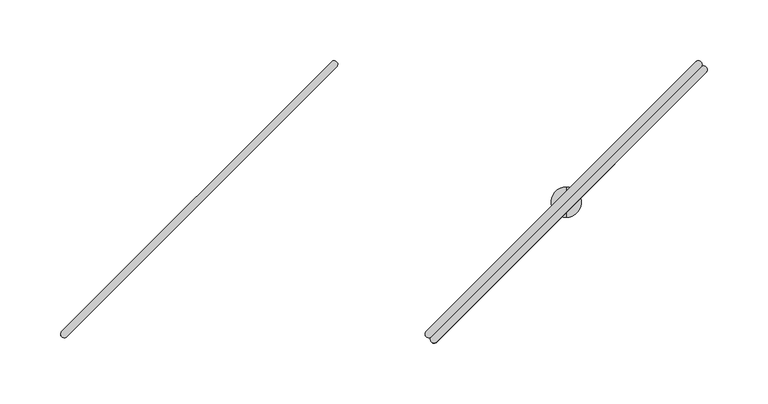
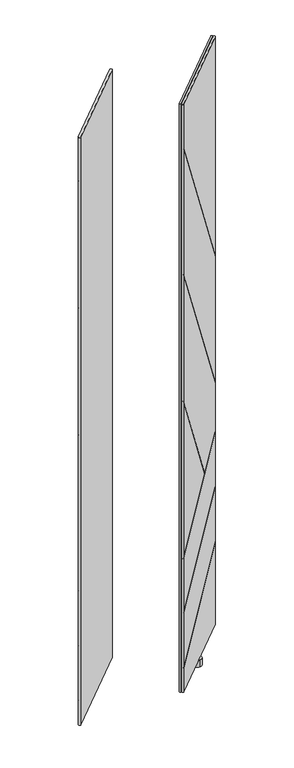
"""IFC4 building model written with IfcOpenShell, lengths in millimetres: furniture geometry."""

import ifcopenshell
import ifcopenshell.guid

model = None  # the IFC model being written
_history = None  # IfcOwnerHistory: only IFC2X3 demands one
_inside = {}  # id of a spatial element -> (the spatial element, [elements in it])
_under = {}  # id of a project, library or spatial element -> (it, [spatial elements below it])
_declared = {}  # id of a project -> (the project, [libraries it declares])
_typed = {}  # id of a type object -> (the type object, [elements of that type])
_made_of = {}  # id of a material, layer set ... -> (it, [elements and type objects made of it])


def new_model(schema):
    """Start an empty IFC model of exactly this schema.

    Asked for "IFC4X3", IfcOpenShell would pick the latest addendum, in which some entities
    have other attributes; the version numbers below select the first issue.
    IFC2X3 requires an IfcOwnerHistory on every rooted entity: one is made here for all.
    """
    global model, _history
    if schema == "IFC4X3":
        model = ifcopenshell.file(schema_version=(4, 3, 0, 0))
    else:
        model = ifcopenshell.file(schema=schema)
    _inside.clear()
    _under.clear()
    _declared.clear()
    _typed.clear()
    _made_of.clear()
    _history = None
    if model.schema == "IFC2X3":
        org = make("IfcOrganization", Name="unknown")
        user = make(
            "IfcPersonAndOrganization",
            ThePerson=make("IfcPerson", FamilyName="unknown"),
            TheOrganization=org,
        )
        app = make(
            "IfcApplication",
            ApplicationDeveloper=org,
            Version="unknown",
            ApplicationFullName="unknown",
            ApplicationIdentifier="unknown",
        )
        _history = make(
            "IfcOwnerHistory",
            OwningUser=user,
            OwningApplication=app,
            ChangeAction="ADDED",
            CreationDate=0,
        )
    return model


def make(cls, **values):
    """One entity of the class cls with the attributes given. An attribute that is None is left unset."""
    return model.create_entity(
        cls, **{name: value for name, value in values.items() if value is not None}
    )


def rooted(cls, **values):
    """An entity with a GlobalId (a new one), such as an element, a storey or a relation."""
    return make(cls, GlobalId=ifcopenshell.guid.new(), OwnerHistory=_history, **values)


def si_unit(unit_type, name, prefix=None):
    """IfcSIUnit, for example si_unit("LENGTHUNIT", "METRE", prefix="MILLI")."""
    return make("IfcSIUnit", UnitType=unit_type, Prefix=prefix, Name=name)


def assignment(units):
    """IfcUnitAssignment: the units of a project."""
    return None if units is None else make("IfcUnitAssignment", Units=units)


def point(xyz):
    """IfcCartesianPoint."""
    return None if xyz is None else make("IfcCartesianPoint", Coordinates=xyz)


def direction(xyz):
    """IfcDirection."""
    return None if xyz is None else make("IfcDirection", DirectionRatios=xyz)


def frame(location, z_axis=None, x_axis=None):
    """IfcAxis2Placement3D, a coordinate frame: its origin and axes. An axis left out is left unset."""
    return make(
        "IfcAxis2Placement3D",
        Location=point(location),
        Axis=direction(z_axis),
        RefDirection=direction(x_axis),
    )


def origin():
    """The frame at (0, 0, 0) with its axes left unset."""
    return frame((0.0, 0.0, 0.0))


def place(relative_to, where):
    """IfcLocalPlacement: puts the frame where relative to a parent placement (None: the world)."""
    return make(
        "IfcLocalPlacement", PlacementRelTo=relative_to, RelativePlacement=where
    )


def context(
    kind, dimensions, precision=None, world=None, true_north=None, identifier=None
):
    """IfcGeometricRepresentationContext, for example the 3D "Model" context."""
    return make(
        "IfcGeometricRepresentationContext",
        ContextIdentifier=identifier,
        ContextType=kind,
        CoordinateSpaceDimension=dimensions,
        Precision=precision,
        WorldCoordinateSystem=world,
        TrueNorth=true_north,
    )


def project(units=None, contexts=None):
    """IfcProject with its units and contexts."""
    return rooted(
        "IfcProject",
        Name="project",
        RepresentationContexts=contexts,
        UnitsInContext=assignment(units),
    )


def spatial(cls, under=None, at=None, **own):
    """A site, building, storey or space (cls), placed at a placement, below another one or the project."""
    s = rooted(cls, ObjectPlacement=at, **own)
    if under is not None:
        _under.setdefault(under.id(), (under, []))[1].append(s)
    return s


def circle_curve(where, radius):
    """IfcCircle in the frame where."""
    return make("IfcCircle", Position=where, Radius=radius)


def ellipse_curve(where, semi_axis1, semi_axis2):
    """IfcEllipse in the frame where."""
    return make(
        "IfcEllipse", Position=where, SemiAxis1=semi_axis1, SemiAxis2=semi_axis2
    )


def shape(context_of_items, identifier, shape_type, items):
    """IfcShapeRepresentation: the items that make up one representation, for example the "Body"."""
    return make(
        "IfcShapeRepresentation",
        ContextOfItems=context_of_items,
        RepresentationIdentifier=identifier,
        RepresentationType=shape_type,
        Items=items,
    )


def source(mapping_origin, context_of_items, identifier, shape_type, items):
    """IfcRepresentationMap: a shape defined once, which mapped items show again and again."""
    return make(
        "IfcRepresentationMap",
        MappingOrigin=mapping_origin,
        MappedRepresentation=shape(context_of_items, identifier, shape_type, items),
    )


def transform(
    local_origin,
    x_axis=None,
    y_axis=None,
    z_axis=None,
    scale=None,
    scale2=None,
    scale3=None,
    uniform=True,
):
    """IfcCartesianTransformationOperator3D, or its non-uniform kind. x_axis, y_axis, z_axis: its Axis1, 2, 3."""
    if uniform:
        return make(
            "IfcCartesianTransformationOperator3D",
            Axis1=direction(x_axis),
            Axis2=direction(y_axis),
            LocalOrigin=point(local_origin),
            Scale=scale,
            Axis3=direction(z_axis),
        )
    return make(
        "IfcCartesianTransformationOperator3DnonUniform",
        Axis1=direction(x_axis),
        Axis2=direction(y_axis),
        LocalOrigin=point(local_origin),
        Scale=scale,
        Axis3=direction(z_axis),
        Scale2=scale2,
        Scale3=scale3,
    )


def mapped(mapping_source, mapping_target):
    """IfcMappedItem: shows the shape of a source again, moved by a transform."""
    return make(
        "IfcMappedItem", MappingSource=mapping_source, MappingTarget=mapping_target
    )


def made_of(thing, what):
    """Note that an element or type object is made of a material, layer set ...; save() writes the relation."""
    if what is not None:
        _made_of.setdefault(what.id(), (what, []))[1].append(thing)
    return thing


def element(
    cls,
    number,
    at=None,
    inside=None,
    cuts=None,
    type_object=None,
    material=None,
    context=None,
    identifier="Body",
    shape_type=None,
    held_by="IfcProductDefinitionShape",
    body=None,
    shapes=None,
    **own,
):
    """One element of the class cls, such as IfcWall. Its Tag is "e" and its number.

    at: its placement. inside: the storey or other place that contains it. cuts: it is an
    opening in that element (IfcRelVoidsElement). A single representation is given by context,
    identifier, shape_type and body (its items); several are given by shapes. held_by: the class
    of the entity that holds the representations. save() writes the other relations.
    """
    e = rooted(cls, Tag="e%d" % number, ObjectPlacement=at, **own)
    if body is not None:
        shapes = [shape(context, identifier, shape_type, body)]
    if shapes is not None:
        e.Representation = make(held_by, Representations=shapes)
    if inside is not None:
        _inside.setdefault(inside.id(), (inside, []))[1].append(e)
    if cuts is not None:
        rooted(
            "IfcRelVoidsElement", RelatingBuildingElement=cuts, RelatedOpeningElement=e
        )
    if type_object is not None:
        _typed.setdefault(type_object.id(), (type_object, []))[1].append(e)
    return made_of(e, material)


def aggregate(whole, parts):
    """IfcRelAggregates: a whole, such as a stair, and the parts it consists of."""
    return rooted("IfcRelAggregates", RelatingObject=whole, RelatedObjects=parts)


def save(model, path):
    """Write the relations noted so far, then the file.

    IfcRelAggregates (storeys below a building ...), IfcRelContainedInSpatialStructure (elements
    in a storey), IfcRelDefinesByType, IfcRelAssociatesMaterial and IfcRelDeclares: one each for
    every whole, place, type object, material and project.
    """
    for whole, parts in _under.values():
        aggregate(whole, parts)
    for where, things in _inside.values():
        rooted(
            "IfcRelContainedInSpatialStructure",
            RelatedElements=things,
            RelatingStructure=where,
        )
    for kind, things in _typed.values():
        rooted("IfcRelDefinesByType", RelatedObjects=things, RelatingType=kind)
    for what, things in _made_of.values():
        rooted("IfcRelAssociatesMaterial", RelatedObjects=things, RelatingMaterial=what)
    for by, libraries in _declared.values():
        rooted("IfcRelDeclares", RelatingContext=by, RelatedDefinitions=libraries)
    model.write(path)


def plane_surface(at):
    """IfcPlane: the flat surface through the origin of the frame at, square to its z axis."""
    return make("IfcPlane", Position=at)


def cylinder_surface(at, radius):
    """IfcCylindricalSurface: all points at the distance radius from the z axis of the frame at."""
    return make("IfcCylindricalSurface", Position=at, Radius=radius)


def advanced_brep(points, edges, surfaces, faces):
    """IfcAdvancedBrep: a solid bounded by faces that lie on surfaces and meet in shared edges.

    An edge is (start, end): straight between two places in points (the first is 0);
    or (start, end, curve); or (start, end, curve, False) where it runs against its curve.
    A face is (place in surfaces, loops), or (place, loops, False) where it looks against
    its surface's normal. A loop lists edges by number (the first is 1), with a minus sign
    where the edge is run from its end to its start. The first loop is the outer one.
    """
    corners = [point(p) for p in points]
    vertices = [make("IfcVertexPoint", VertexGeometry=c) for c in corners]
    made = []
    for start, end, *more in edges:
        made.append(
            make(
                "IfcEdgeCurve",
                EdgeStart=vertices[start],
                EdgeEnd=vertices[end],
                EdgeGeometry=more[0] if more else make("IfcPolyline", Points=[corners[start], corners[end]]),
                SameSense=more[1] if len(more) > 1 else True,
            )
        )
    hull = []
    for where, loops, *sense in faces:
        bounds = []
        for j, loop in enumerate(loops):
            ring = [make("IfcOrientedEdge", EdgeElement=made[abs(k) - 1], Orientation=k > 0) for k in loop]
            bounds.append(
                make(
                    "IfcFaceOuterBound" if j == 0 else "IfcFaceBound",
                    Bound=make("IfcEdgeLoop", EdgeList=ring),
                    Orientation=True,
                )
            )
        hull.append(make("IfcAdvancedFace", Bounds=bounds, FaceSurface=surfaces[where], SameSense=sense[0] if sense else True))
    return make("IfcAdvancedBrep", Outer=make("IfcClosedShell", CfsFaces=hull))


def furniture_f511e456(model_context):
    return source(origin(), model_context, "Body", "AdvancedBrep", [
        advanced_brep(
        [(489.0781344, -183.0476726, 1894.2939983), (711.0420147, 39.0094149, 1894.2939983), (706.8263161, 43.2234083, 1894.2939983), (484.81456, -178.7849606, 1894.2939983), (489.0781344, -183.0476726, 44.4119983), (484.81456, -178.7849606, 44.4119983), (706.8263161, 43.2234083, 44.4119983), (711.0420147, 39.0094149, 44.4119983), (484.81456, -178.7849606, 1754.2066762), (484.3106978, -182.380027, 1759.272488), (484.3106978, -182.380027, 1756.1013739), (484.81456, -178.7849606, 1751.0355622), (484.81456, -178.7849606, 1354.7535777), (484.3106978, -182.380027, 1359.81841), (484.3106978, -182.380027, 1356.6477579), (484.81456, -178.7849606, 1351.5829255), (484.81456, -178.7849606, 955.298773), (484.3106978, -182.380027, 960.3636054), (484.3106978, -182.380027, 957.1929532), (484.81456, -178.7849606, 952.1281208), (484.81456, -178.7849606, 469.401), (484.3106978, -182.380027, 467.7135995), (484.3106978, -182.380027, 465.8913563), (484.81456, -178.7849606, 467.5787569), (484.81456, -178.7849606, 296.5844727), (484.3106978, -182.380027, 294.8972637), (484.3106978, -182.380027, 293.075073), (484.81456, -178.7849606, 294.7622819), (484.81456, -178.7849606, 124.6262293), (484.3106978, -182.380027, 122.9389644), (484.3106978, -182.380027, 119.2357715), (484.81456, -178.7849606, 120.9230364), (706.8263161, 43.2234083, 1205.4480643), (706.8263161, 43.2234083, 303.6975157), (706.8263161, 43.2234083, 1202.2769503), (706.8263161, 43.2234083, 806.1010587), (706.8263161, 43.2234083, 802.9304065), (706.8263161, 43.2234083, 652.1901824), (632.2972885, -31.3044822, 590.8281165), (631.3349124, -32.2668437, 590.0357623), (706.8263161, 43.2234083, 650.3679393), (706.8263161, 43.2234083, 479.3528977), (706.8263161, 43.2234083, 477.530707), (706.8263161, 43.2234083, 307.4007086), (710.3498612, 43.6591364, 305.3272934), (710.3498612, 43.6591364, 309.0304863), (710.3498612, 43.6591364, 479.1604307), (710.3498612, 43.6591364, 480.9826215), (710.3498612, 43.6591364, 651.9978481), (710.3498612, 43.6591364, 653.8200912), (710.3498612, 43.6591364, 798.038139), (710.3498612, 43.6591364, 801.2087912), (710.3498612, 43.6591364, 1197.3837367), (710.3498612, 43.6591364, 1200.5548508), (633.8417656, -32.8489592, 590.8281165), (632.8793967, -33.811328, 590.0357623)],
        [
            (0, 1),
            (1, 2, circle_curve(frame((708.8820345, 41.0642596, 1894.2939983), z_axis=(0.0, 0.0, 1.0), x_axis=(0.6892541380737184, 0.724519656840486, 0.0)), 2.9812584)),
            (2, 3),
            (3, 0, circle_curve(frame((486.9461154, -180.9165485, 1894.2939983), z_axis=(0.0, 0.0, 1.0), x_axis=(-0.7071121751659861, -0.7071013871659622, 0.0)), 3.0144975)),
            (4, 5, circle_curve(frame((486.9461154, -180.9165485, 44.4119983), z_axis=(0.0, 0.0, -1.0), x_axis=(-0.7071121751659861, -0.7071013871659622, 0.0)), 3.0144975)),
            (5, 6),
            (6, 7, circle_curve(frame((708.8820345, 41.0642596, 44.4119983), z_axis=(0.0, 0.0, -1.0), x_axis=(0.6892541380737184, 0.724519656840486, 0.0)), 2.9812584)),
            (7, 4),
            (3, 8),
            (8, 9, ellipse_curve(frame((486.9461154, -180.9165485, 1754.2067164), z_axis=(0.6137510408992909, 0.6137510408992904, 0.4966078126550915), x_axis=(-0.3511547519186339, -0.35115475191863366, 0.867975045960381)), 6.0701774, 3.0144975)),
            (9, 10),
            (10, 11, ellipse_curve(frame((486.9461154, -180.9165485, 1751.0356024), z_axis=(-0.6137510408992913, -0.6137510408992902, -0.49660781265509124), x_axis=(-0.3511547519186339, -0.35115475191863327, 0.8679750459603811)), 6.0701774, 3.0144975)),
            (11, 12),
            (12, 13, ellipse_curve(frame((486.9461154, -180.9165485, 1354.7536178), z_axis=(0.6137217711363938, 0.6137217711363934, 0.4966801538882105), x_axis=(-0.3512059048951318, -0.35120590489513154, 0.8679336522647244)), 6.0692932, 3.0144975)),
            (13, 14),
            (14, 15, ellipse_curve(frame((486.9461154, -180.9165485, 1351.5829657), z_axis=(-0.6137217711363929, -0.613721771136394, -0.4966801538882105), x_axis=(-0.3512059048951313, -0.3512059048951319, 0.8679336522647244)), 6.0692932, 3.0144975)),
            (15, 16),
            (16, 17, ellipse_curve(frame((486.9461154, -180.9165485, 955.2988132), z_axis=(0.6137217711363938, 0.6137217711363934, 0.49668015388821035), x_axis=(-0.35120590489513165, -0.35120590489513137, 0.8679336522647245)), 6.0692932, 3.0144975)),
            (17, 18),
            (18, 19, ellipse_curve(frame((486.9461154, -180.9165485, 952.128161), z_axis=(-0.613721771136394, -0.6137217711363929, -0.4966801538882105), x_axis=(-0.3512059048951319, -0.3512059048951313, 0.8679336522647244)), 6.0692932, 3.0144975)),
            (19, 20),
            (20, 21, ellipse_curve(frame((486.9461154, -180.9165485, 469.4009867), z_axis=(-0.35576802902276056, -0.35576802902275995, 0.8642095920843049), x_axis=(0.6110884629292727, 0.6110884629292717, 0.5031319717027327)), 3.4881556, 3.0144975)),
            (21, 22),
            (22, 23, ellipse_curve(frame((486.9461154, -180.9165485, 467.5787435), z_axis=(0.35576802902276056, 0.35576802902275995, -0.8642095920843049), x_axis=(0.6110884629292727, 0.6110884629292717, 0.5031319717027327)), 3.4881556, 3.0144975)),
            (23, 24),
            (24, 25, ellipse_curve(frame((486.9461154, -180.9165485, 296.5844593), z_axis=(-0.3557378542673982, -0.35573785426739757, 0.8642344346775679), x_axis=(0.6111060292954311, 0.6111060292954301, 0.5030892981544572)), 3.4880553, 3.0144975)),
            (25, 26),
            (26, 27, ellipse_curve(frame((486.9461154, -180.9165485, 294.7622685), z_axis=(0.35573785426739823, 0.3557378542673976, -0.8642344346775679), x_axis=(0.6111060292954312, 0.6111060292954301, 0.5030892981544572)), 3.4880553, 3.0144975)),
            (27, 28),
            (28, 29, ellipse_curve(frame((486.9461154, -180.9165485, 124.6262159), z_axis=(-0.3557466555065138, -0.3557466555065132, 0.8642271889913322), x_axis=(0.6111009058215596, 0.6111009058215585, 0.5031017449861812)), 3.4880845, 3.0144975)),
            (29, 30),
            (30, 31, ellipse_curve(frame((486.9461154, -180.9165485, 120.923023), z_axis=(0.3557466555065137, 0.3557466555065131, -0.8642271889913324), x_axis=(0.6111009058215598, 0.6111009058215587, 0.5031017449861805)), 3.4880845, 3.0144975)),
            (31, 5),
            (4, 0),
            (2, 32),
            (32, 8),
            (31, 33),
            (33, 6),
            (11, 34),
            (34, 35),
            (35, 12),
            (15, 36),
            (36, 37),
            (37, 38),
            (38, 16),
            (19, 39),
            (39, 20),
            (23, 40),
            (40, 41),
            (41, 24),
            (27, 42),
            (42, 43),
            (43, 28),
            (1, 7),
            (33, 44, ellipse_curve(frame((708.8820345, 41.0642596, 303.65494), z_axis=(0.3557466555065137, 0.3557466555065131, -0.8642271889913324), x_axis=(0.6111009058215598, 0.6111009058215587, 0.5031017449861805)), 3.4496234, 2.9812584)),
            (44, 45),
            (45, 43, ellipse_curve(frame((708.8820345, 41.0642596, 307.3581329), z_axis=(-0.3557466555065138, -0.3557466555065132, 0.8642271889913322), x_axis=(0.6111009058215596, 0.6111009058215585, 0.5031017449861812)), 3.4496234, 2.9812584)),
            (42, 46, ellipse_curve(frame((708.8820345, 41.0642596, 477.4881328), z_axis=(0.35573785426739823, 0.3557378542673976, -0.8642344346775679), x_axis=(0.6111060292954312, 0.6111060292954301, 0.5030892981544572)), 3.4495945, 2.9812584)),
            (46, 47),
            (47, 41, ellipse_curve(frame((708.8820345, 41.0642596, 479.3103235), z_axis=(-0.3557378542673982, -0.35573785426739757, 0.8642344346775679), x_axis=(0.6111060292954311, 0.6111060292954301, 0.5030892981544572)), 3.4495945, 2.9812584)),
            (40, 48, ellipse_curve(frame((708.8820345, 41.0642596, 650.3253602), z_axis=(0.35576802902276056, 0.35576802902275995, -0.8642095920843049), x_axis=(0.6110884629292727, 0.6110884629292717, 0.5031319717027327)), 3.4496937, 2.9812584)),
            (48, 49),
            (49, 37, ellipse_curve(frame((708.8820345, 41.0642596, 652.1476034), z_axis=(-0.35576802902276056, -0.35576802902275995, 0.8642095920843049), x_axis=(0.6110884629292727, 0.6110884629292717, 0.5031319717027327)), 3.4496937, 2.9812584)),
            (36, 50, ellipse_curve(frame((708.8820345, 41.0642596, 803.0582101), z_axis=(-0.6137217711363929, -0.613721771136394, -0.4966801538882105), x_axis=(-0.3512059048951313, -0.3512059048951319, 0.8679336522647244)), 6.0023706, 2.9812584)),
            (50, 51),
            (51, 35, ellipse_curve(frame((708.8820345, 41.0642596, 806.2288622), z_axis=(0.6137217711363938, 0.6137217711363934, 0.4966801538882105), x_axis=(-0.3512059048951318, -0.35120590489513154, 0.8679336522647244)), 6.0023706, 2.9812584)),
            (34, 52, ellipse_curve(frame((708.8820345, 41.0642596, 1202.4047785), z_axis=(-0.6137510408992913, -0.6137510408992902, -0.49660781265509124), x_axis=(-0.3511547519186339, -0.35115475191863327, 0.8679750459603811)), 6.003245, 2.9812584)),
            (52, 53),
            (53, 32, ellipse_curve(frame((708.8820345, 41.0642596, 1205.5758926), z_axis=(0.6137510408992909, 0.6137510408992904, 0.4966078126550915), x_axis=(-0.3511547519186339, -0.35115475191863366, 0.867975045960381)), 6.003245, 2.9812584)),
            (29, 45),
            (44, 30),
            (9, 53),
            (52, 10),
            (13, 51),
            (50, 14),
            (54, 49),
            (48, 22),
            (21, 55),
            (55, 18),
            (17, 54),
            (25, 47),
            (46, 26),
            (54, 38),
            (55, 39),
        ],
        [
            plane_surface(frame((597.9402563, -69.8999525, 1894.2939983), z_axis=(0.0, 0.0, 1.0000000000000002), x_axis=(0.7069583324882522, 0.7072551987263367, 0.0))),
            plane_surface(frame((597.9402563, -69.8999525, 44.4119983), z_axis=(0.0, 0.0, -1.0000000000000002), x_axis=(0.7069583324882522, 0.7072551987263367, 0.0))),
            cylinder_surface(frame((486.9461154, -180.9165485, 44.4119983), z_axis=(0.0, 0.0, 1.0), x_axis=(-0.7071121751659861, -0.7071013871659622, 0.0)), 3.0144975),
            plane_surface(frame((595.8204381, -67.7807761, 44.4119983), z_axis=(-0.7071013871659615, 0.7071121751659868, 0.0), x_axis=(-0.7071121751659868, -0.7071013871659615, 0.0))),
            cylinder_surface(frame((708.8820345, 41.0642596, 44.4119983), z_axis=(0.0, 0.0, 1.0), x_axis=(0.6892541380737184, 0.724519656840486, 0.0)), 2.9812584),
            plane_surface(frame((600.0600746, -72.0191288, 44.4119983), z_axis=(0.7072551987263367, -0.7069583324882522, 0.0), x_axis=(0.7069583324882522, 0.7072551987263367, 0.0))),
            plane_surface(frame((481.8234445, -184.8672803, 1753.0132577), z_axis=(-0.7071067811865472, 0.707106781186548, 0.0), x_axis=(0.0, 0.0, -1.0))),
            plane_surface(frame((699.4972959, 72.3196981, 312.6576982), z_axis=(-0.3557466555065137, -0.3557466555065131, 0.8642271889913324), x_axis=(0.7071067811865469, -0.7071067811865481, 0.0))),
            plane_surface(frame((462.0668811, -165.1107168, 120.8912806), z_axis=(0.35574665550651385, 0.35574665550651324, -0.8642271889913324), x_axis=(0.7071067811865469, -0.7071067811865481, 0.0))),
            plane_surface(frame((699.4972959, 72.3196981, 1175.3750692), z_axis=(0.6137510408992913, 0.6137510408992902, 0.49660781265509124), x_axis=(0.7071067811865469, -0.7071067811865481, 0.0))),
            plane_surface(frame((462.0668811, -165.1107168, 1765.4204149), z_axis=(-0.6137510408992909, -0.6137510408992904, -0.4966078126550915), x_axis=(0.7071067811865472, -0.7071067811865478, 0.0))),
            plane_surface(frame((699.4972959, 72.3196981, 776.0337264), z_axis=(0.6137217711363929, 0.613721771136394, 0.4966801538882105), x_axis=(0.7071067811865481, -0.7071067811865469, 0.0))),
            plane_surface(frame((462.0668811, -165.1107168, 1365.9651484), z_axis=(-0.6137217711363938, -0.6137217711363934, -0.4966801538882105), x_axis=(0.7071067811865472, -0.7071067811865478, 0.0))),
            plane_surface(frame((699.4972959, 72.3196981, 659.3288426), z_axis=(-0.3557680290227606, -0.35576802902276, 0.8642095920843051), x_axis=(0.7071067811865469, -0.7071067811865481, 0.0))),
            plane_surface(frame((614.0852021, -13.0923958, 590.8281165), z_axis=(0.3557680290227606, 0.35576802902276, -0.8642095920843051), x_axis=(0.7071067811865469, -0.7071067811865481, 0.0))),
            plane_surface(frame((699.4972959, 72.3196981, 486.4905927), z_axis=(-0.35573785426739823, -0.3557378542673976, 0.8642344346775679), x_axis=(0.7071067811865469, -0.7071067811865481, 0.0))),
            plane_surface(frame((462.0668811, -165.1107168, 292.8496477), z_axis=(0.3557378542673982, 0.35573785426739757, -0.8642344346775679), x_axis=(0.7071067811865469, -0.7071067811865481, 0.0))),
            plane_surface(frame((462.0668811, -165.1107168, 966.5103438), z_axis=(-0.6137217711363938, -0.6137217711363934, -0.49668015388821035), x_axis=(0.7071067811865472, -0.7071067811865478, 0.0))),
            plane_surface(frame((613.1228333, -14.0547646, 590.0357623), z_axis=(0.613721771136394, 0.6137217711363929, 0.4966801538882105), x_axis=(0.7071067811865469, -0.7071067811865481, 0.0))),
            plane_surface(frame((462.0668811, -165.1107168, 465.6657509), z_axis=(0.3557680290227606, 0.35576802902276, -0.8642095920843051), x_axis=(0.7071067811865469, -0.7071067811865481, 0.0))),
        ],
        [
            (0, [[1, 2, 3, 4]]),
            (1, [[5, 6, 7, 8]]),
            (2, [[-4, 9, 10, 11, 12, 13, 14, 15, 16, 17, 18, 19, 20, 21, 22, 23, 24, 25, 26, 27, 28, 29, 30, 31, 32, 33, -5, 34]]),
            (3, [[-3, 35, 36, -9]]),
            (3, [[-6, -33, 37, 38]]),
            (3, [[-13, 39, 40, 41]]),
            (3, [[-17, 42, 43, 44, 45]]),
            (3, [[-21, 46, 47]]),
            (3, [[-25, 48, 49, 50]]),
            (3, [[-29, 51, 52, 53]]),
            (4, [[-2, 54, -7, -38, 55, 56, 57, -52, 58, 59, 60, -49, 61, 62, 63, -43, 64, 65, 66, -40, 67, 68, 69, -35]]),
            (5, [[-1, -34, -8, -54]]),
            (6, [[70, -56, 71, -31]]),
            (6, [[72, -68, 73, -11]]),
            (6, [[74, -65, 75, -15]]),
            (6, [[76, -62, 77, -23, 78, 79, -19, 80]]),
            (6, [[81, -59, 82, -27]]),
            (7, [[-71, -55, -37, -32]]),
            (8, [[-70, -30, -53, -57]]),
            (9, [[-73, -67, -39, -12]]),
            (10, [[-72, -10, -36, -69]]),
            (11, [[-75, -64, -42, -16]]),
            (12, [[-74, -14, -41, -66]]),
            (13, [[-77, -61, -48, -24]]),
            (14, [[-76, 83, -44, -63]]),
            (15, [[-82, -58, -51, -28]]),
            (16, [[-81, -26, -50, -60]]),
            (17, [[-80, -18, -45, -83]]),
            (18, [[-79, 84, -46, -20]]),
            (19, [[-78, -22, -47, -84]]),
        ],
    ),
        advanced_brep(
        [(489.0388266, -183.0083649, 1894.2939983), (493.3015387, -187.2719392, 1894.2939983), (715.3099076, 34.7398168, 1894.2939983), (711.0959142, 38.9555155, 1894.2939983), (489.0388267, -183.0083649, 44.4119983), (711.0959142, 38.9555155, 44.4119983), (715.3099076, 34.7398168, 44.4119983), (493.3015387, -187.2719392, 44.4119983), (493.3015387, -187.2719392, 120.9230364), (489.7064723, -187.7758015, 119.2357715), (489.7064723, -187.7758015, 122.9389644), (493.3015387, -187.2719392, 124.6262293), (493.3015387, -187.2719392, 294.7622819), (489.7064723, -187.7758015, 293.075073), (489.7064723, -187.7758015, 294.8972637), (493.3015387, -187.2719392, 296.5844727), (493.3015387, -187.2719392, 467.5787569), (489.7064723, -187.7758015, 465.8913563), (489.7064723, -187.7758015, 467.7135995), (493.3015387, -187.2719392, 469.401), (493.3015387, -187.2719392, 952.1281208), (489.7064723, -187.7758015, 957.1929532), (489.7064723, -187.7758015, 960.3636054), (493.3015387, -187.2719392, 955.298773), (493.3015387, -187.2719392, 1351.5829255), (489.7064723, -187.7758015, 1356.6477579), (489.7064723, -187.7758015, 1359.81841), (493.3015387, -187.2719392, 1354.7535777), (493.3015387, -187.2719392, 1751.0355622), (489.7064723, -187.7758015, 1756.1013739), (489.7064723, -187.7758015, 1759.272488), (493.3015387, -187.2719392, 1754.2066762), (715.3099076, 34.7398168, 307.4007086), (715.3099076, 34.7398168, 477.530707), (715.3099076, 34.7398168, 479.3528977), (715.3099076, 34.7398168, 650.3679393), (639.8196556, -40.7515869, 590.0357623), (640.7820171, -39.7892108, 590.8281165), (715.3099076, 34.7398168, 652.1901824), (715.3099076, 34.7398168, 802.9304065), (715.3099076, 34.7398168, 806.1010587), (715.3099076, 34.7398168, 1202.2769503), (715.3099076, 34.7398168, 1205.4480643), (715.3099076, 34.7398168, 303.6975157), (715.7456357, 38.263362, 1200.5548508), (715.7456357, 38.263362, 1197.3837367), (715.7456357, 38.263362, 801.2087912), (715.7456357, 38.263362, 798.038139), (715.7456357, 38.263362, 653.8200912), (715.7456357, 38.263362, 651.9978481), (715.7456357, 38.263362, 480.9826215), (715.7456357, 38.263362, 479.1604307), (715.7456357, 38.263362, 309.0304863), (715.7456357, 38.263362, 305.3272934), (639.23754, -38.2447337, 590.8281165), (638.2751712, -39.2071025, 590.0357623)],
        [
            (0, 1, circle_curve(frame((491.1699508, -185.1403839, 1894.2939983), z_axis=(0.0, 0.0, 1.0), x_axis=(-0.7072551987263337, -0.7069583324882551, 0.0)), 3.0144975)),
            (1, 2),
            (2, 3, circle_curve(frame((713.1507589, 36.7955352, 1894.2939983), z_axis=(0.0, 0.0, 1.0), x_axis=(0.6895472047235311, 0.7242407420588576, 0.0)), 2.9812584)),
            (3, 0),
            (4, 5),
            (5, 6, circle_curve(frame((713.1507589, 36.7955352, 44.4119983), z_axis=(0.0, 0.0, -1.0), x_axis=(0.6895472047235311, 0.7242407420588576, 0.0)), 2.9812584)),
            (6, 7),
            (7, 4, circle_curve(frame((491.1699508, -185.1403839, 44.4119983), z_axis=(0.0, 0.0, -1.0), x_axis=(-0.7072551987263337, -0.7069583324882551, 0.0)), 3.0144975)),
            (0, 4),
            (7, 8),
            (8, 9, ellipse_curve(frame((491.1699508, -185.1403839, 120.923023), z_axis=(0.3557466555065141, 0.35574665550651347, -0.8642271889913322), x_axis=(0.6111009058215596, 0.6111009058215586, 0.5031017449861808)), 3.4880845, 3.0144975)),
            (9, 10),
            (10, 11, ellipse_curve(frame((491.1699508, -185.1403839, 124.6262159), z_axis=(-0.3557466555065138, -0.3557466555065132, 0.8642271889913322), x_axis=(0.6111009058215596, 0.6111009058215585, 0.5031017449861812)), 3.4880845, 3.0144975)),
            (11, 12),
            (12, 13, ellipse_curve(frame((491.1699508, -185.1403839, 294.7622685), z_axis=(0.3557378542673982, 0.35573785426739757, -0.8642344346775678), x_axis=(0.611106029295431, 0.61110602929543, 0.5030892981544577)), 3.4880553, 3.0144975)),
            (13, 14),
            (14, 15, ellipse_curve(frame((491.1699508, -185.1403839, 296.5844593), z_axis=(-0.3557378542673982, -0.35573785426739757, 0.8642344346775679), x_axis=(0.6111060292954311, 0.6111060292954301, 0.5030892981544572)), 3.4880553, 3.0144975)),
            (15, 16),
            (16, 17, ellipse_curve(frame((491.1699508, -185.1403839, 467.5787435), z_axis=(0.35576802902276067, 0.35576802902276006, -0.8642095920843049), x_axis=(0.6110884629292728, 0.6110884629292717, 0.5031319717027326)), 3.4881556, 3.0144975)),
            (17, 18),
            (18, 19, ellipse_curve(frame((491.1699508, -185.1403839, 469.4009867), z_axis=(-0.3557680290227606, -0.35576802902276, 0.864209592084305), x_axis=(0.6110884629292728, 0.6110884629292717, 0.5031319717027324)), 3.4881556, 3.0144975)),
            (19, 20),
            (20, 21, ellipse_curve(frame((491.1699508, -185.1403839, 952.128161), z_axis=(-0.6137217711363941, -0.6137217711363931, -0.4966801538882102), x_axis=(-0.3512059048951317, -0.3512059048951311, 0.8679336522647246)), 6.0692932, 3.0144975)),
            (21, 22),
            (22, 23, ellipse_curve(frame((491.1699508, -185.1403839, 955.2988132), z_axis=(0.6137217711363941, 0.613721771136393, 0.49668015388821024), x_axis=(-0.35120590489513176, -0.3512059048951311, 0.8679336522647245)), 6.0692932, 3.0144975)),
            (23, 24),
            (24, 25, ellipse_curve(frame((491.1699508, -185.1403839, 1351.5829657), z_axis=(-0.6137217711363941, -0.6137217711363931, -0.4966801538882103), x_axis=(-0.35120590489513176, -0.3512059048951312, 0.8679336522647245)), 6.0692932, 3.0144975)),
            (25, 26),
            (26, 27, ellipse_curve(frame((491.1699508, -185.1403839, 1354.7536178), z_axis=(0.6137217711363941, 0.6137217711363931, 0.4966801538882103), x_axis=(-0.35120590489513176, -0.3512059048951312, 0.8679336522647245)), 6.0692932, 3.0144975)),
            (27, 28),
            (28, 29, ellipse_curve(frame((491.1699508, -185.1403839, 1751.0356024), z_axis=(-0.6137510408992914, -0.6137510408992903, -0.4966078126550913), x_axis=(-0.351154751918634, -0.3511547519186334, 0.8679750459603811)), 6.0701774, 3.0144975)),
            (29, 30),
            (30, 31, ellipse_curve(frame((491.1699508, -185.1403839, 1754.2067164), z_axis=(0.6137510408992906, 0.6137510408992916, 0.4966078126550908), x_axis=(-0.351154751918633, -0.35115475191863355, 0.8679750459603813)), 6.0701774, 3.0144975)),
            (31, 1),
            (11, 32),
            (32, 33),
            (33, 12),
            (15, 34),
            (34, 35),
            (35, 16),
            (19, 36),
            (36, 20),
            (23, 37),
            (37, 38),
            (38, 39),
            (39, 24),
            (27, 40),
            (40, 41),
            (41, 28),
            (31, 42),
            (42, 2),
            (6, 43),
            (43, 8),
            (42, 44, ellipse_curve(frame((713.1507589, 36.7955352, 1205.5758926), z_axis=(0.6137510408992906, 0.6137510408992916, 0.4966078126550908), x_axis=(-0.351154751918633, -0.35115475191863355, 0.8679750459603813)), 6.003245, 2.9812584)),
            (44, 45),
            (45, 41, ellipse_curve(frame((713.1507589, 36.7955352, 1202.4047785), z_axis=(-0.6137510408992914, -0.6137510408992903, -0.4966078126550913), x_axis=(-0.351154751918634, -0.3511547519186334, 0.8679750459603811)), 6.003245, 2.9812584)),
            (40, 46, ellipse_curve(frame((713.1507589, 36.7955352, 806.2288622), z_axis=(0.6137217711363941, 0.6137217711363931, 0.4966801538882103), x_axis=(-0.35120590489513176, -0.3512059048951312, 0.8679336522647245)), 6.0023706, 2.9812584)),
            (46, 47),
            (47, 39, ellipse_curve(frame((713.1507589, 36.7955352, 803.0582101), z_axis=(-0.6137217711363941, -0.6137217711363931, -0.4966801538882103), x_axis=(-0.35120590489513176, -0.3512059048951312, 0.8679336522647245)), 6.0023706, 2.9812584)),
            (38, 48, ellipse_curve(frame((713.1507589, 36.7955352, 652.1476034), z_axis=(-0.355768029022761, -0.3557680290227604, 0.8642095920843047), x_axis=(0.6110884629292725, 0.6110884629292714, 0.5031319717027329)), 3.4496937, 2.9812584)),
            (48, 49),
            (49, 35, ellipse_curve(frame((713.1507589, 36.7955352, 650.3253602), z_axis=(0.35576802902276067, 0.35576802902276006, -0.8642095920843049), x_axis=(0.6110884629292728, 0.6110884629292717, 0.5031319717027326)), 3.4496937, 2.9812584)),
            (34, 50, ellipse_curve(frame((713.1507589, 36.7955352, 479.3103235), z_axis=(-0.3557378542673982, -0.35573785426739757, 0.8642344346775679), x_axis=(0.6111060292954311, 0.6111060292954301, 0.5030892981544572)), 3.4495945, 2.9812584)),
            (50, 51),
            (51, 33, ellipse_curve(frame((713.1507589, 36.7955352, 477.4881328), z_axis=(0.3557378542673982, 0.35573785426739757, -0.8642344346775678), x_axis=(0.611106029295431, 0.61110602929543, 0.5030892981544577)), 3.4495945, 2.9812584)),
            (32, 52, ellipse_curve(frame((713.1507589, 36.7955352, 307.3581329), z_axis=(-0.3557466555065138, -0.3557466555065132, 0.8642271889913322), x_axis=(0.6111009058215596, 0.6111009058215585, 0.5031017449861812)), 3.4496234, 2.9812584)),
            (52, 53),
            (53, 43, ellipse_curve(frame((713.1507589, 36.7955352, 303.65494), z_axis=(0.3557466555065141, 0.35574665550651347, -0.8642271889913322), x_axis=(0.6111009058215596, 0.6111009058215586, 0.5031017449861808)), 3.4496234, 2.9812584)),
            (5, 3),
            (9, 53),
            (52, 10),
            (29, 45),
            (44, 30),
            (25, 47),
            (46, 26),
            (13, 51),
            (50, 14),
            (54, 22),
            (21, 55),
            (55, 18),
            (17, 49),
            (48, 54),
            (37, 54),
            (36, 55),
        ],
        [
            plane_surface(frame((602.1865468, -74.146243, 1894.2939983), z_axis=(0.0, 0.0, 1.0000000000000002), x_axis=(-0.7072551987263422, -0.7069583324882467, 0.0))),
            plane_surface(frame((602.1865468, -74.146243, 44.4119983), z_axis=(0.0, 0.0, -1.0000000000000002), x_axis=(-0.7072551987263422, -0.7069583324882467, 0.0))),
            cylinder_surface(frame((491.1699508, -185.1403839, 44.4119983), z_axis=(0.0, 0.0, 1.0), x_axis=(-0.7072551987263337, -0.7069583324882551, 0.0)), 3.0144975),
            plane_surface(frame((604.3057231, -76.2660612, 44.4119983), z_axis=(0.7071121751659858, -0.7071013871659624, 0.0), x_axis=(0.7071013871659624, 0.7071121751659858, 0.0))),
            cylinder_surface(frame((713.1507589, 36.7955352, 44.4119983), z_axis=(0.0, 0.0, 1.0), x_axis=(0.6895472047235311, 0.7242407420588576, 0.0)), 2.9812584),
            plane_surface(frame((600.0673705, -72.0264247, 44.4119983), z_axis=(-0.7069583324882512, 0.7072551987263376, 0.0), x_axis=(-0.7072551987263376, -0.7069583324882512, 0.0))),
            plane_surface(frame((506.1569445, -171.3253292, 132.7789707), z_axis=(0.7071067811865472, -0.7071067811865481, 0.0), x_axis=(-0.6111009058215594, -0.6111009058215585, -0.5031017449861812))),
            plane_surface(frame((506.9757825, -210.0196182, 117.1880877), z_axis=(-0.3557466555065141, -0.35574665550651347, 0.8642271889913322), x_axis=(-0.7071067811865469, 0.7071067811865481, 0.0))),
            plane_surface(frame((744.4061973, 27.4107966, 316.3608911), z_axis=(0.35574665550651385, 0.35574665550651324, -0.8642271889913324), x_axis=(-0.7071067811865469, 0.7071067811865481, 0.0))),
            plane_surface(frame((506.9757825, -210.0196182, 1762.2493009), z_axis=(0.6137510408992913, 0.6137510408992902, 0.4966078126550912), x_axis=(-0.7071067811865469, 0.7071067811865481, 0.0))),
            plane_surface(frame((744.4061973, 27.4107966, 1178.5461832), z_axis=(-0.6137510408992906, -0.6137510408992916, -0.4966078126550908), x_axis=(-0.7071067811865481, 0.7071067811865469, 0.0))),
            plane_surface(frame((506.9757825, -210.0196182, 1362.7944962), z_axis=(0.6137217711363941, 0.6137217711363931, 0.4966801538882103), x_axis=(-0.7071067811865469, 0.7071067811865481, 0.0))),
            plane_surface(frame((744.4061973, 27.4107966, 779.2043786), z_axis=(-0.6137217711363941, -0.6137217711363931, -0.4966801538882103), x_axis=(-0.7071067811865469, 0.7071067811865481, 0.0))),
            plane_surface(frame((506.9757825, -210.0196182, 463.8435078), z_axis=(-0.35576802902276067, -0.35576802902276006, 0.8642095920843049), x_axis=(-0.7071067811865469, 0.7071067811865481, 0.0))),
            plane_surface(frame((744.4061973, 27.4107966, 661.1510857), z_axis=(0.355768029022761, 0.3557680290227604, -0.8642095920843047), x_axis=(-0.7071067811865469, 0.7071067811865481, 0.0))),
            plane_surface(frame((506.9757825, -210.0196182, 291.0274569), z_axis=(-0.3557378542673982, -0.35573785426739757, 0.8642344346775678), x_axis=(-0.7071067811865469, 0.7071067811865481, 0.0))),
            plane_surface(frame((744.4061973, 27.4107966, 488.3127834), z_axis=(0.3557378542673982, 0.35573785426739757, -0.8642344346775679), x_axis=(-0.7071067811865469, 0.7071067811865481, 0.0))),
            plane_surface(frame((658.9941035, -58.0012972, 590.8281165), z_axis=(-0.6137217711363941, -0.613721771136393, -0.49668015388821024), x_axis=(-0.7071067811865469, 0.7071067811865481, 0.0))),
            plane_surface(frame((506.9757825, -210.0196182, 963.3396916), z_axis=(0.6137217711363941, 0.6137217711363931, 0.4966801538882102), x_axis=(-0.7071067811865469, 0.7071067811865481, 0.0))),
            plane_surface(frame((658.0317347, -58.963666, 590.0357623), z_axis=(0.3557680290227606, 0.35576802902276, -0.864209592084305), x_axis=(-0.7071067811865469, 0.7071067811865481, 0.0))),
        ],
        [
            (0, [[1, 2, 3, 4]]),
            (1, [[5, 6, 7, 8]]),
            (2, [[-1, 9, -8, 10, 11, 12, 13, 14, 15, 16, 17, 18, 19, 20, 21, 22, 23, 24, 25, 26, 27, 28, 29, 30, 31, 32, 33, 34]]),
            (3, [[-14, 35, 36, 37]]),
            (3, [[-18, 38, 39, 40]]),
            (3, [[-22, 41, 42]]),
            (3, [[-26, 43, 44, 45, 46]]),
            (3, [[-30, 47, 48, 49]]),
            (3, [[-2, -34, 50, 51]]),
            (3, [[-7, 52, 53, -10]]),
            (4, [[-3, -51, 54, 55, 56, -48, 57, 58, 59, -45, 60, 61, 62, -39, 63, 64, 65, -36, 66, 67, 68, -52, -6, 69]]),
            (5, [[-4, -69, -5, -9]]),
            (6, [[70, -67, 71, -12]]),
            (6, [[72, -55, 73, -32]]),
            (6, [[74, -58, 75, -28]]),
            (6, [[76, -64, 77, -16]]),
            (6, [[78, -24, 79, 80, -20, 81, -61, 82]]),
            (7, [[-70, -11, -53, -68]]),
            (8, [[-71, -66, -35, -13]]),
            (9, [[-72, -31, -49, -56]]),
            (10, [[-73, -54, -50, -33]]),
            (11, [[-74, -27, -46, -59]]),
            (12, [[-75, -57, -47, -29]]),
            (13, [[-81, -19, -40, -62]]),
            (14, [[-82, -60, -44, 83]]),
            (15, [[-76, -15, -37, -65]]),
            (16, [[-77, -63, -38, -17]]),
            (17, [[-78, -83, -43, -25]]),
            (18, [[-79, -23, -42, 84]]),
            (19, [[-80, -84, -41, -21]]),
        ],
    ),
        advanced_brep(
        [(599.9988, -84.5709522, 44.4119983), (599.9988, -59.5748171, 44.4119983), (599.9988, -59.5748171, 23.6755986), (599.9988, -84.5709522, 23.6755986), (599.9988, -72.0728847, 44.4119983), (599.9988, -72.0728847, 23.6755986)],
        [
            (0, 1, circle_curve(frame((599.9988, -72.0728847, 44.4119983), z_axis=(0.0, 0.0, -1.0), x_axis=(0.0, 1.0, 0.0)), 12.4980675)),
            (1, 2),
            (2, 3, circle_curve(frame((599.9988, -72.0728847, 23.6755986), z_axis=(0.0, 0.0, 1.0), x_axis=(0.0, 1.0, 0.0)), 12.4980675)),
            (3, 0),
            (4, 1),
            (0, 4),
            (0, 1, circle_curve(frame((599.9988, -72.0728847, 44.4119983), z_axis=(0.0, 0.0, 1.0), x_axis=(0.0, 1.0, 0.0)), 12.4980675)),
            (2, 5),
            (5, 3),
            (2, 3, circle_curve(frame((599.9988, -72.0728847, 23.6755986), z_axis=(0.0, 0.0, -1.0), x_axis=(0.0, 1.0, 0.0)), 12.4980675)),
        ],
        [
            cylinder_surface(frame((599.9988, -72.0728847, 51.9527758), z_axis=(0.0, 0.0, 1.0), x_axis=(0.0, 1.0, 0.0)), 12.4980675),
            plane_surface(frame((599.9988, -72.0728847, 44.4119983), z_axis=(0.0, 0.0, 1.0), x_axis=(0.0, 1.0, 0.0))),
            plane_surface(frame((599.9988, -72.0728847, 23.6755986), z_axis=(0.0, 0.0, -1.0), x_axis=(0.0, 1.0, 0.0))),
        ],
        [
            (0, [[1, 2, 3, 4]]),
            (1, [[5, -1, 6]]),
            (1, [[-6, 7, -5]]),
            (2, [[-3, 8, 9]]),
            (2, [[10, -9, -8]]),
            (0, [[-7, -4, -10, -2]]),
        ],
    ),
        advanced_brep(
        [(189.0787344, -183.0476726, 1894.2939983), (411.0426147, 39.0094149, 1894.2939983), (406.8269161, 43.2234083, 1894.2939983), (184.81516, -178.7849606, 1894.2939983), (189.0787344, -183.0476726, 44.4119983), (184.81516, -178.7849606, 44.4119983), (406.8269161, 43.2234083, 44.4119983), (411.0426147, 39.0094149, 44.4119983), (184.81516, -178.7849606, 1754.2066762), (184.3112978, -182.380027, 1759.272488), (184.3112978, -182.380027, 1756.1013739), (184.81516, -178.7849606, 1751.0355622), (184.81516, -178.7849606, 1354.7535777), (184.3112978, -182.380027, 1359.81841), (184.3112978, -182.380027, 1356.6477579), (184.81516, -178.7849606, 1351.5829255), (184.81516, -178.7849606, 955.298773), (184.3112978, -182.380027, 960.3636054), (184.3112978, -182.380027, 957.1929532), (184.81516, -178.7849606, 952.1281208), (184.81516, -178.7849606, 469.401), (184.3112978, -182.380027, 467.7135995), (184.3112978, -182.380027, 465.8913563), (184.81516, -178.7849606, 467.5787569), (184.81516, -178.7849606, 296.5844727), (184.3112978, -182.380027, 294.8972637), (184.3112978, -182.380027, 293.075073), (184.81516, -178.7849606, 294.7622819), (184.81516, -178.7849606, 124.6262293), (184.3112978, -182.380027, 122.9389644), (184.3112978, -182.380027, 119.2357715), (184.81516, -178.7849606, 120.9230364), (406.8269161, 43.2234083, 1205.4480643), (406.8269161, 43.2234083, 303.6975157), (406.8269161, 43.2234083, 1202.2769503), (406.8269161, 43.2234083, 806.1010587), (406.8269161, 43.2234083, 802.9304065), (406.8269161, 43.2234083, 652.1901824), (332.2978885, -31.3044822, 590.8281165), (331.3355124, -32.2668437, 590.0357623), (406.8269161, 43.2234083, 650.3679393), (406.8269161, 43.2234083, 479.3528977), (406.8269161, 43.2234083, 477.530707), (406.8269161, 43.2234083, 307.4007086), (410.3504612, 43.6591364, 305.3272934), (410.3504612, 43.6591364, 309.0304863), (410.3504612, 43.6591364, 479.1604307), (410.3504612, 43.6591364, 480.9826215), (410.3504612, 43.6591364, 651.9978481), (410.3504612, 43.6591364, 653.8200912), (410.3504612, 43.6591364, 798.038139), (410.3504612, 43.6591364, 801.2087912), (410.3504612, 43.6591364, 1197.3837367), (410.3504612, 43.6591364, 1200.5548508), (333.8423656, -32.8489592, 590.8281165), (332.8799967, -33.811328, 590.0357623)],
        [
            (0, 1),
            (1, 2, circle_curve(frame((408.8826345, 41.0642596, 1894.2939983), z_axis=(0.0, 0.0, 1.0), x_axis=(0.6892541380737184, 0.724519656840486, 0.0)), 2.9812584)),
            (2, 3),
            (3, 0, circle_curve(frame((186.9467154, -180.9165485, 1894.2939983), z_axis=(0.0, 0.0, 1.0), x_axis=(-0.7071121751659861, -0.7071013871659622, 0.0)), 3.0144975)),
            (4, 5, circle_curve(frame((186.9467154, -180.9165485, 44.4119983), z_axis=(0.0, 0.0, -1.0), x_axis=(-0.7071121751659861, -0.7071013871659622, 0.0)), 3.0144975)),
            (5, 6),
            (6, 7, circle_curve(frame((408.8826345, 41.0642596, 44.4119983), z_axis=(0.0, 0.0, -1.0), x_axis=(0.6892541380737184, 0.724519656840486, 0.0)), 2.9812584)),
            (7, 4),
            (3, 8),
            (8, 9, ellipse_curve(frame((186.9467154, -180.9165485, 1754.2067164), z_axis=(0.6137510408992909, 0.6137510408992904, 0.4966078126550915), x_axis=(-0.3511547519186339, -0.35115475191863366, 0.867975045960381)), 6.0701774, 3.0144975)),
            (9, 10),
            (10, 11, ellipse_curve(frame((186.9467154, -180.9165485, 1751.0356024), z_axis=(-0.6137510408992913, -0.6137510408992902, -0.49660781265509124), x_axis=(-0.3511547519186339, -0.35115475191863327, 0.8679750459603811)), 6.0701774, 3.0144975)),
            (11, 12),
            (12, 13, ellipse_curve(frame((186.9467154, -180.9165485, 1354.7536178), z_axis=(0.6137217711363938, 0.6137217711363934, 0.4966801538882105), x_axis=(-0.3512059048951318, -0.35120590489513154, 0.8679336522647244)), 6.0692932, 3.0144975)),
            (13, 14),
            (14, 15, ellipse_curve(frame((186.9467154, -180.9165485, 1351.5829657), z_axis=(-0.6137217711363929, -0.613721771136394, -0.4966801538882105), x_axis=(-0.3512059048951313, -0.3512059048951319, 0.8679336522647244)), 6.0692932, 3.0144975)),
            (15, 16),
            (16, 17, ellipse_curve(frame((186.9467154, -180.9165485, 955.2988132), z_axis=(0.6137217711363938, 0.6137217711363934, 0.49668015388821035), x_axis=(-0.35120590489513165, -0.35120590489513137, 0.8679336522647245)), 6.0692932, 3.0144975)),
            (17, 18),
            (18, 19, ellipse_curve(frame((186.9467154, -180.9165485, 952.128161), z_axis=(-0.613721771136394, -0.6137217711363929, -0.4966801538882105), x_axis=(-0.3512059048951319, -0.3512059048951313, 0.8679336522647244)), 6.0692932, 3.0144975)),
            (19, 20),
            (20, 21, ellipse_curve(frame((186.9467154, -180.9165485, 469.4009867), z_axis=(-0.35576802902276056, -0.35576802902275995, 0.8642095920843049), x_axis=(0.6110884629292727, 0.6110884629292717, 0.5031319717027327)), 3.4881556, 3.0144975)),
            (21, 22),
            (22, 23, ellipse_curve(frame((186.9467154, -180.9165485, 467.5787435), z_axis=(0.35576802902276056, 0.35576802902275995, -0.8642095920843049), x_axis=(0.6110884629292727, 0.6110884629292717, 0.5031319717027327)), 3.4881556, 3.0144975)),
            (23, 24),
            (24, 25, ellipse_curve(frame((186.9467154, -180.9165485, 296.5844593), z_axis=(-0.3557378542673982, -0.35573785426739757, 0.8642344346775679), x_axis=(0.6111060292954311, 0.6111060292954301, 0.5030892981544572)), 3.4880553, 3.0144975)),
            (25, 26),
            (26, 27, ellipse_curve(frame((186.9467154, -180.9165485, 294.7622685), z_axis=(0.35573785426739823, 0.3557378542673976, -0.8642344346775679), x_axis=(0.6111060292954312, 0.6111060292954301, 0.5030892981544572)), 3.4880553, 3.0144975)),
            (27, 28),
            (28, 29, ellipse_curve(frame((186.9467154, -180.9165485, 124.6262159), z_axis=(-0.3557466555065138, -0.3557466555065132, 0.8642271889913322), x_axis=(0.6111009058215596, 0.6111009058215585, 0.5031017449861812)), 3.4880845, 3.0144975)),
            (29, 30),
            (30, 31, ellipse_curve(frame((186.9467154, -180.9165485, 120.923023), z_axis=(0.3557466555065137, 0.3557466555065131, -0.8642271889913324), x_axis=(0.6111009058215598, 0.6111009058215587, 0.5031017449861805)), 3.4880845, 3.0144975)),
            (31, 5),
            (4, 0),
            (2, 32),
            (32, 8),
            (31, 33),
            (33, 6),
            (11, 34),
            (34, 35),
            (35, 12),
            (15, 36),
            (36, 37),
            (37, 38),
            (38, 16),
            (19, 39),
            (39, 20),
            (23, 40),
            (40, 41),
            (41, 24),
            (27, 42),
            (42, 43),
            (43, 28),
            (1, 7),
            (33, 44, ellipse_curve(frame((408.8826345, 41.0642596, 303.65494), z_axis=(0.3557466555065137, 0.3557466555065131, -0.8642271889913324), x_axis=(0.6111009058215598, 0.6111009058215587, 0.5031017449861805)), 3.4496234, 2.9812584)),
            (44, 45),
            (45, 43, ellipse_curve(frame((408.8826345, 41.0642596, 307.3581329), z_axis=(-0.3557466555065138, -0.3557466555065132, 0.8642271889913322), x_axis=(0.6111009058215596, 0.6111009058215585, 0.5031017449861812)), 3.4496234, 2.9812584)),
            (42, 46, ellipse_curve(frame((408.8826345, 41.0642596, 477.4881328), z_axis=(0.35573785426739823, 0.3557378542673976, -0.8642344346775679), x_axis=(0.6111060292954312, 0.6111060292954301, 0.5030892981544572)), 3.4495945, 2.9812584)),
            (46, 47),
            (47, 41, ellipse_curve(frame((408.8826345, 41.0642596, 479.3103235), z_axis=(-0.3557378542673982, -0.35573785426739757, 0.8642344346775679), x_axis=(0.6111060292954311, 0.6111060292954301, 0.5030892981544572)), 3.4495945, 2.9812584)),
            (40, 48, ellipse_curve(frame((408.8826345, 41.0642596, 650.3253602), z_axis=(0.35576802902276056, 0.35576802902275995, -0.8642095920843049), x_axis=(0.6110884629292727, 0.6110884629292717, 0.5031319717027327)), 3.4496937, 2.9812584)),
            (48, 49),
            (49, 37, ellipse_curve(frame((408.8826345, 41.0642596, 652.1476034), z_axis=(-0.35576802902276056, -0.35576802902275995, 0.8642095920843049), x_axis=(0.6110884629292727, 0.6110884629292717, 0.5031319717027327)), 3.4496937, 2.9812584)),
            (36, 50, ellipse_curve(frame((408.8826345, 41.0642596, 803.0582101), z_axis=(-0.6137217711363929, -0.613721771136394, -0.4966801538882105), x_axis=(-0.3512059048951313, -0.3512059048951319, 0.8679336522647244)), 6.0023706, 2.9812584)),
            (50, 51),
            (51, 35, ellipse_curve(frame((408.8826345, 41.0642596, 806.2288622), z_axis=(0.6137217711363938, 0.6137217711363934, 0.4966801538882105), x_axis=(-0.3512059048951318, -0.35120590489513154, 0.8679336522647244)), 6.0023706, 2.9812584)),
            (34, 52, ellipse_curve(frame((408.8826345, 41.0642596, 1202.4047785), z_axis=(-0.6137510408992913, -0.6137510408992902, -0.49660781265509124), x_axis=(-0.3511547519186339, -0.35115475191863327, 0.8679750459603811)), 6.003245, 2.9812584)),
            (52, 53),
            (53, 32, ellipse_curve(frame((408.8826345, 41.0642596, 1205.5758926), z_axis=(0.6137510408992909, 0.6137510408992904, 0.4966078126550915), x_axis=(-0.3511547519186339, -0.35115475191863366, 0.867975045960381)), 6.003245, 2.9812584)),
            (29, 45),
            (44, 30),
            (9, 53),
            (52, 10),
            (13, 51),
            (50, 14),
            (54, 49),
            (48, 22),
            (21, 55),
            (55, 18),
            (17, 54),
            (25, 47),
            (46, 26),
            (54, 38),
            (55, 39),
        ],
        [
            plane_surface(frame((297.9408563, -69.8999525, 1894.2939983), z_axis=(0.0, 0.0, 1.0000000000000002), x_axis=(0.7069583324882522, 0.7072551987263367, 0.0))),
            plane_surface(frame((297.9408563, -69.8999525, 44.4119983), z_axis=(0.0, 0.0, -1.0000000000000002), x_axis=(0.7069583324882522, 0.7072551987263367, 0.0))),
            cylinder_surface(frame((186.9467154, -180.9165485, 44.4119983), z_axis=(0.0, 0.0, 1.0), x_axis=(-0.7071121751659861, -0.7071013871659622, 0.0)), 3.0144975),
            plane_surface(frame((295.8210381, -67.7807761, 44.4119983), z_axis=(-0.7071013871659615, 0.7071121751659868, 0.0), x_axis=(-0.7071121751659868, -0.7071013871659615, 0.0))),
            cylinder_surface(frame((408.8826345, 41.0642596, 44.4119983), z_axis=(0.0, 0.0, 1.0), x_axis=(0.6892541380737184, 0.724519656840486, 0.0)), 2.9812584),
            plane_surface(frame((300.0606746, -72.0191288, 44.4119983), z_axis=(0.7072551987263367, -0.7069583324882522, 0.0), x_axis=(0.7069583324882522, 0.7072551987263367, 0.0))),
            plane_surface(frame((181.8240445, -184.8672803, 1753.0132577), z_axis=(-0.7071067811865472, 0.707106781186548, 0.0), x_axis=(0.0, 0.0, -1.0))),
            plane_surface(frame((399.4978959, 72.3196981, 312.6576982), z_axis=(-0.3557466555065137, -0.3557466555065131, 0.8642271889913324), x_axis=(0.7071067811865469, -0.7071067811865481, 0.0))),
            plane_surface(frame((162.0674811, -165.1107168, 120.8912806), z_axis=(0.35574665550651385, 0.35574665550651324, -0.8642271889913324), x_axis=(0.7071067811865469, -0.7071067811865481, 0.0))),
            plane_surface(frame((399.4978959, 72.3196981, 1175.3750692), z_axis=(0.6137510408992913, 0.6137510408992902, 0.49660781265509124), x_axis=(0.7071067811865469, -0.7071067811865481, 0.0))),
            plane_surface(frame((162.0674811, -165.1107168, 1765.4204149), z_axis=(-0.6137510408992909, -0.6137510408992904, -0.4966078126550915), x_axis=(0.7071067811865472, -0.7071067811865478, 0.0))),
            plane_surface(frame((399.4978959, 72.3196981, 776.0337264), z_axis=(0.6137217711363929, 0.613721771136394, 0.4966801538882105), x_axis=(0.7071067811865481, -0.7071067811865469, 0.0))),
            plane_surface(frame((162.0674811, -165.1107168, 1365.9651484), z_axis=(-0.6137217711363938, -0.6137217711363934, -0.4966801538882105), x_axis=(0.7071067811865472, -0.7071067811865478, 0.0))),
            plane_surface(frame((399.4978959, 72.3196981, 659.3288426), z_axis=(-0.3557680290227606, -0.35576802902276, 0.8642095920843051), x_axis=(0.7071067811865469, -0.7071067811865481, 0.0))),
            plane_surface(frame((314.0858021, -13.0923958, 590.8281165), z_axis=(0.3557680290227606, 0.35576802902276, -0.8642095920843051), x_axis=(0.7071067811865469, -0.7071067811865481, 0.0))),
            plane_surface(frame((399.4978959, 72.3196981, 486.4905927), z_axis=(-0.35573785426739823, -0.3557378542673976, 0.8642344346775679), x_axis=(0.7071067811865469, -0.7071067811865481, 0.0))),
            plane_surface(frame((162.0674811, -165.1107168, 292.8496477), z_axis=(0.3557378542673982, 0.35573785426739757, -0.8642344346775679), x_axis=(0.7071067811865469, -0.7071067811865481, 0.0))),
            plane_surface(frame((162.0674811, -165.1107168, 966.5103438), z_axis=(-0.6137217711363938, -0.6137217711363934, -0.49668015388821035), x_axis=(0.7071067811865472, -0.7071067811865478, 0.0))),
            plane_surface(frame((313.1234333, -14.0547646, 590.0357623), z_axis=(0.613721771136394, 0.6137217711363929, 0.4966801538882105), x_axis=(0.7071067811865469, -0.7071067811865481, 0.0))),
            plane_surface(frame((162.0674811, -165.1107168, 465.6657509), z_axis=(0.3557680290227606, 0.35576802902276, -0.8642095920843051), x_axis=(0.7071067811865469, -0.7071067811865481, 0.0))),
        ],
        [
            (0, [[1, 2, 3, 4]]),
            (1, [[5, 6, 7, 8]]),
            (2, [[-4, 9, 10, 11, 12, 13, 14, 15, 16, 17, 18, 19, 20, 21, 22, 23, 24, 25, 26, 27, 28, 29, 30, 31, 32, 33, -5, 34]]),
            (3, [[-3, 35, 36, -9]]),
            (3, [[-6, -33, 37, 38]]),
            (3, [[-13, 39, 40, 41]]),
            (3, [[-17, 42, 43, 44, 45]]),
            (3, [[-21, 46, 47]]),
            (3, [[-25, 48, 49, 50]]),
            (3, [[-29, 51, 52, 53]]),
            (4, [[-2, 54, -7, -38, 55, 56, 57, -52, 58, 59, 60, -49, 61, 62, 63, -43, 64, 65, 66, -40, 67, 68, 69, -35]]),
            (5, [[-1, -34, -8, -54]]),
            (6, [[70, -56, 71, -31]]),
            (6, [[72, -68, 73, -11]]),
            (6, [[74, -65, 75, -15]]),
            (6, [[76, -62, 77, -23, 78, 79, -19, 80]]),
            (6, [[81, -59, 82, -27]]),
            (7, [[-71, -55, -37, -32]]),
            (8, [[-70, -30, -53, -57]]),
            (9, [[-73, -67, -39, -12]]),
            (10, [[-72, -10, -36, -69]]),
            (11, [[-75, -64, -42, -16]]),
            (12, [[-74, -14, -41, -66]]),
            (13, [[-77, -61, -48, -24]]),
            (14, [[-76, 83, -44, -63]]),
            (15, [[-82, -58, -51, -28]]),
            (16, [[-81, -26, -50, -60]]),
            (17, [[-80, -18, -45, -83]]),
            (18, [[-79, 84, -46, -20]]),
            (19, [[-78, -22, -47, -84]]),
        ],
    ),
    ])


if __name__ == "__main__":
    model = new_model("IFC4")
    model_context = context("Model", 3, world=origin())
    ifc_project = project(units=[si_unit("LENGTHUNIT", "METRE", prefix="MILLI")], contexts=[model_context])
    site = spatial("IfcSite", under=ifc_project)
    building = spatial("IfcBuilding", under=site)
    placement = place(None, origin())
    furniture_shape = furniture_f511e456(model_context)
    element("IfcFurniture", 1, at=placement, inside=building, context=model_context, shape_type="MappedRepresentation", body=[
        mapped(furniture_shape, transform((0.0, 0.0, 0.0), x_axis=(1.0, 0.0, 0.0), y_axis=(0.0, 1.0, 0.0), z_axis=(0.0, 0.0, 1.0))),
    ])
    save(model, "model.ifc")
